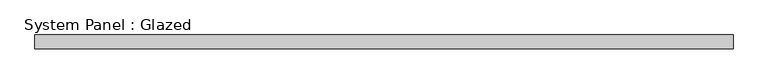
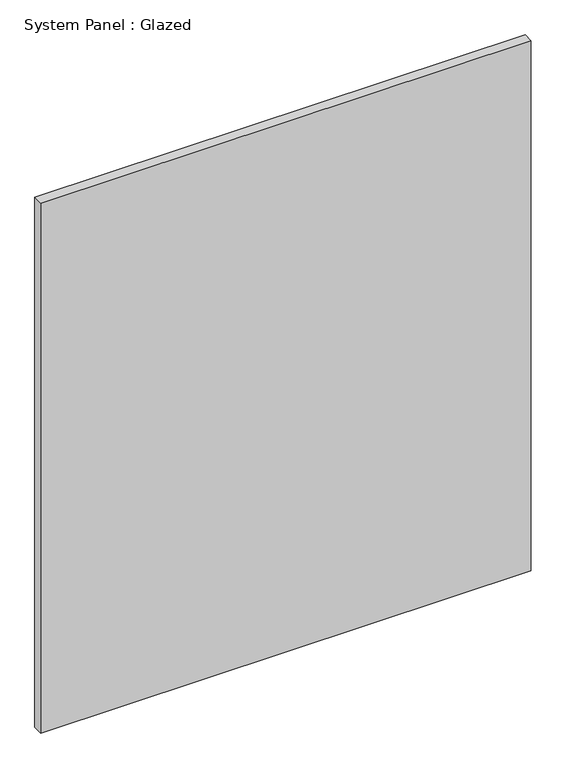
"""IFC4 building model written with IfcOpenShell, lengths in millimetres: plate geometry, System Panel : Glazed."""

from ifc_helpers import new_model, si_unit, origin, origin_with_axes, place, context, project, spatial, polyline, outline, extrude, source, transform, mapped, element, save


def system_panel_glazed_8a52d07c(model_context):
    return source(origin(), model_context, "Body", "SweptSolid", [
        extrude(outline(polyline([(634.20625, 19.05), (-634.20625, 19.05), (-634.20625, 44.45), (634.20625, 44.45), (634.20625, 19.05)])), origin_with_axes(), (0.0, 0.0, 1.0), 1447.8),
    ])


if __name__ == "__main__":
    model = new_model("IFC4")
    model_context = context("Model", 3, world=origin())
    ifc_project = project(units=[si_unit("LENGTHUNIT", "METRE", prefix="MILLI")], contexts=[model_context])
    site = spatial("IfcSite", under=ifc_project)
    building = spatial("IfcBuilding", under=site)
    placement = place(None, origin())
    system_panel_glazed_shape = system_panel_glazed_8a52d07c(model_context)
    element("IfcPlate", 1, ObjectType="System Panel : Glazed", at=placement, inside=building, context=model_context, shape_type="MappedRepresentation", body=[
        mapped(system_panel_glazed_shape, transform((0.0, 0.0, 0.0), x_axis=(1.0, 0.0, 0.0), y_axis=(0.0, 1.0, 0.0), z_axis=(0.0, 0.0, 1.0))),
    ])
    save(model, "model.ifc")
